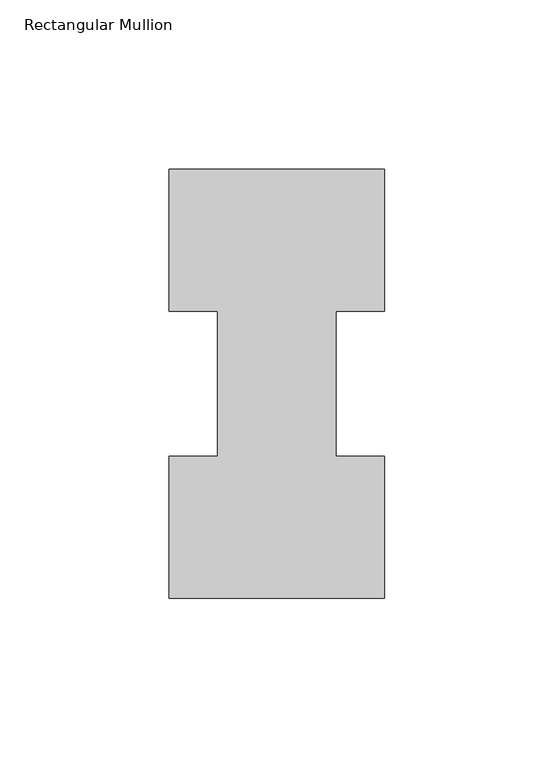
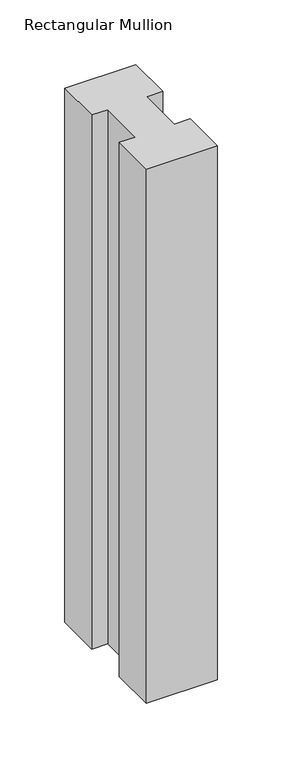
"""IFC4 building model written with IfcOpenShell, lengths in millimetres: member geometry, Rectangular Mullion."""

from ifc_helpers import new_model, si_unit, frame, origin, place, context, project, spatial, polyline, outline, extrude, source, transform, mapped, element, save


def rectangular_mullion_8b9c4087(model_context):
    return source(origin(), model_context, "Body", "SweptSolid", [
        extrude(outline(polyline([(-63.5, 0.2967757), (-63.5, 42.1178757), (-49.2125, 42.1178757), (-49.2125, 84.93125), (-63.5, 84.93125), (-63.5, 126.7887757), (0.0, 126.7887757), (0.0, 84.93125), (-14.2748, 84.93125), (-14.2748, 42.1178757), (0.0, 42.1178757), (0.0, 0.2967757), (-63.5, 0.2967757)])), frame((0.0, 0.0, -504.8247287), z_axis=(0.0, 0.0, 1.0), x_axis=(1.0, 0.0, 0.0)), (0.0, 0.0, 1.0), 504.8247287),
    ])


if __name__ == "__main__":
    model = new_model("IFC4")
    model_context = context("Model", 3, world=origin())
    ifc_project = project(units=[si_unit("LENGTHUNIT", "METRE", prefix="MILLI")], contexts=[model_context])
    site = spatial("IfcSite", under=ifc_project)
    building = spatial("IfcBuilding", under=site)
    placement = place(None, origin())
    rectangular_mullion_shape = rectangular_mullion_8b9c4087(model_context)
    element("IfcMember", 1, ObjectType="Rectangular Mullion", at=placement, inside=building, context=model_context, shape_type="MappedRepresentation", body=[
        mapped(rectangular_mullion_shape, transform((0.0, 0.0, 0.0), x_axis=(1.0, 0.0, 0.0), y_axis=(0.0, 1.0, 0.0), z_axis=(0.0, 0.0, 1.0))),
    ])
    save(model, "model.ifc")
